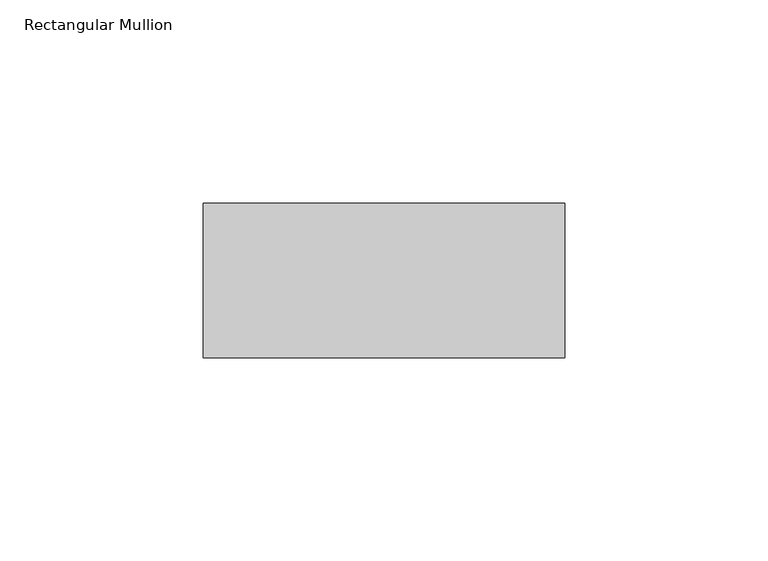
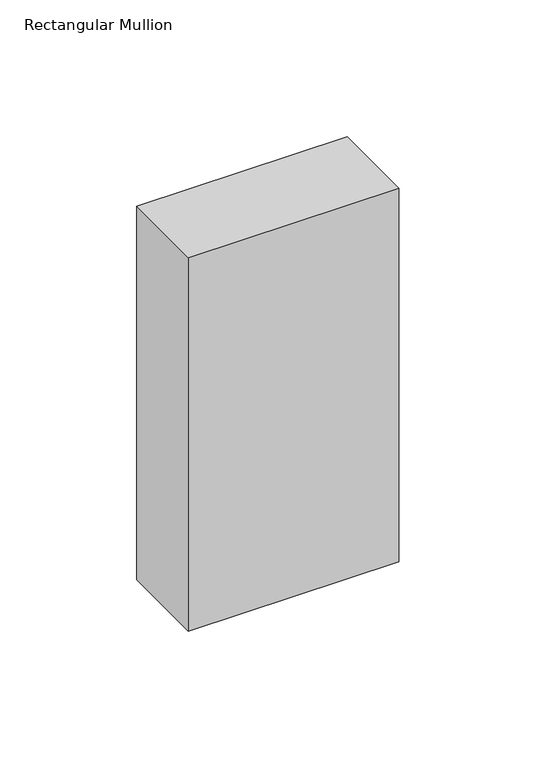
"""IFC4 building model written with IfcOpenShell, lengths in millimetres: member geometry, Rectangular Mullion."""

from ifc_helpers import new_model, si_unit, frame, origin, place, context, project, spatial, polyline, outline, extrude, source, transform, mapped, element, save


def rectangular_mullion_5a8ac2a5(model_context):
    return source(origin(), model_context, "Body", "SweptSolid", [
        extrude(outline(polyline([(44.5, 118.0), (44.5, 80.0), (-44.5, 80.0), (-44.5, 118.0), (44.5, 118.0)])), frame((0.0, 0.0, -167.0), z_axis=(0.0, 0.0, 1.0), x_axis=(1.0, 0.0, 0.0)), (0.0, 0.0, 1.0), 167.0),
    ])


if __name__ == "__main__":
    model = new_model("IFC4")
    model_context = context("Model", 3, world=origin())
    ifc_project = project(units=[si_unit("LENGTHUNIT", "METRE", prefix="MILLI")], contexts=[model_context])
    site = spatial("IfcSite", under=ifc_project)
    building = spatial("IfcBuilding", under=site)
    placement = place(None, origin())
    rectangular_mullion_shape = rectangular_mullion_5a8ac2a5(model_context)
    element("IfcMember", 1, ObjectType="Rectangular Mullion", at=placement, inside=building, context=model_context, shape_type="MappedRepresentation", body=[
        mapped(rectangular_mullion_shape, transform((0.0, 0.0, 0.0), x_axis=(1.0, 0.0, 0.0), y_axis=(0.0, 1.0, 0.0), z_axis=(0.0, 0.0, 1.0))),
    ])
    save(model, "model.ifc")
